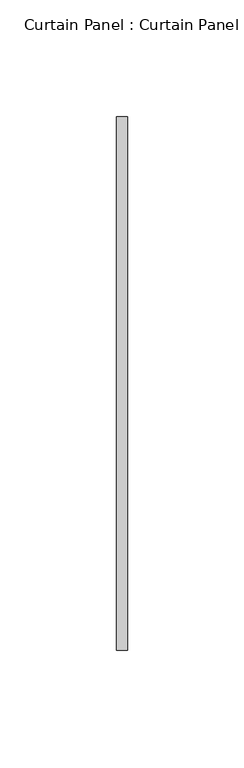
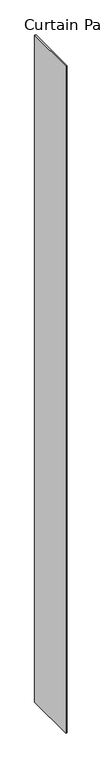
"""IFC4 building model written with IfcOpenShell, lengths in millimetres: plate geometry, Curtain Panel : Curtain Panel."""

from ifc_helpers import new_model, si_unit, origin, origin_with_axes, place, context, project, spatial, polyline, outline, extrude, source, transform, mapped, element, save


def curtain_panel_curtain_panel_b39a8dc0(model_context):
    return source(origin(), model_context, "Body", "SweptSolid", [
        extrude(outline(polyline([(824.7969141, 92555.2732822), (824.7969141, 92783.8732822), (829.5594141, 92783.8732822), (829.5594141, 92555.2732822), (824.7969141, 92555.2732822)])), origin_with_axes(), (0.0, 0.0, 1.0), 2978.15),
    ])


if __name__ == "__main__":
    model = new_model("IFC4")
    model_context = context("Model", 3, world=origin())
    ifc_project = project(units=[si_unit("LENGTHUNIT", "METRE", prefix="MILLI")], contexts=[model_context])
    site = spatial("IfcSite", under=ifc_project)
    building = spatial("IfcBuilding", under=site)
    placement = place(None, origin())
    curtain_panel_curtain_panel_shape = curtain_panel_curtain_panel_b39a8dc0(model_context)
    element("IfcPlate", 1, ObjectType="Curtain Panel : Curtain Panel", at=placement, inside=building, context=model_context, shape_type="MappedRepresentation", body=[
        mapped(curtain_panel_curtain_panel_shape, transform((0.0, 0.0, 0.0), x_axis=(1.0, 0.0, 0.0), y_axis=(0.0, 1.0, 0.0), z_axis=(0.0, 0.0, 1.0))),
    ])
    save(model, "model.ifc")
